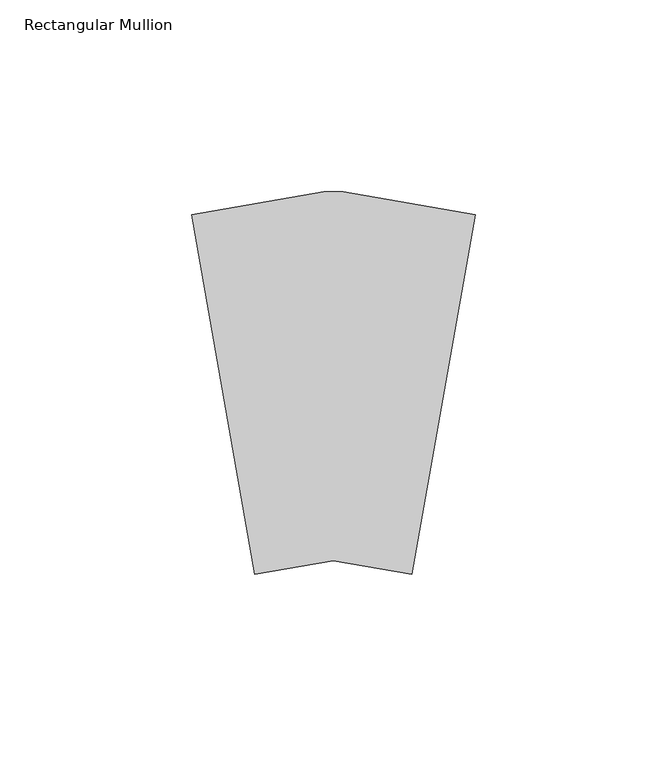
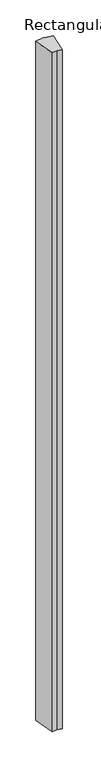
"""IFC4 building model written with IfcOpenShell, lengths in millimetres: member geometry, Rectangular Mullion."""

from ifc_helpers import new_model, si_unit, frame, origin, place, context, project, spatial, polyline, outline, extrude, source, transform, mapped, element, save


def rectangular_mullion_30311433(model_context):
    return source(origin(), model_context, "Body", "SweptSolid", [
        extrude(outline(polyline([(-57.4149628, -130.8595808), (-73.9549518, -37.0566423), (-39.5174759, -30.9843861), (-34.4374759, -30.9843861), (0.0, -37.0566423), (-16.5399889, -130.8595808), (-36.9774759, -127.2559004), (-57.4149628, -130.8595808)])), frame((0.0, 0.0, -3048.0), z_axis=(0.0, 0.0, 1.0), x_axis=(1.0, 0.0, 0.0)), (0.0, 0.0, 1.0), 3048.0),
    ])


if __name__ == "__main__":
    model = new_model("IFC4")
    model_context = context("Model", 3, world=origin())
    ifc_project = project(units=[si_unit("LENGTHUNIT", "METRE", prefix="MILLI")], contexts=[model_context])
    site = spatial("IfcSite", under=ifc_project)
    building = spatial("IfcBuilding", under=site)
    placement = place(None, origin())
    rectangular_mullion_shape = rectangular_mullion_30311433(model_context)
    element("IfcMember", 1, ObjectType="Rectangular Mullion", at=placement, inside=building, context=model_context, shape_type="MappedRepresentation", body=[
        mapped(rectangular_mullion_shape, transform((0.0, 0.0, 0.0), x_axis=(1.0, 0.0, 0.0), y_axis=(0.0, 1.0, 0.0), z_axis=(0.0, 0.0, 1.0))),
    ])
    save(model, "model.ifc")
